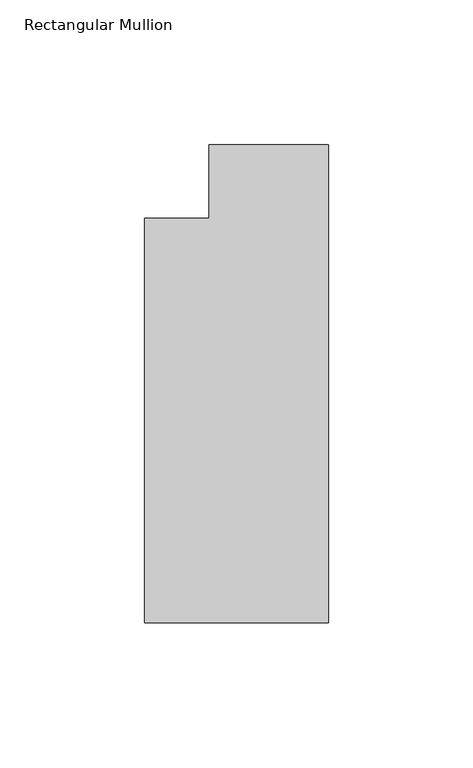
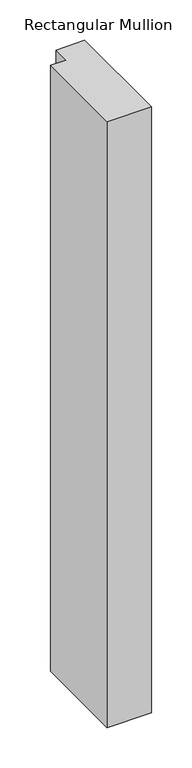
"""IFC4 building model written with IfcOpenShell, lengths in millimetres: member geometry, Rectangular Mullion."""

from ifc_helpers import new_model, si_unit, frame, origin, place, context, project, spatial, polyline, outline, extrude, source, transform, mapped, element, save


def rectangular_mullion_19cd0932(model_context):
    return source(origin(), model_context, "Body", "SweptSolid", [
        extrude(outline(polyline([(-82.7668749, -44.3727865), (-60.5499109, -44.3727865), (-60.5499109, -18.9568419), (-19.2668749, -18.9568419), (-19.2668749, -184.0944397), (-82.7668749, -184.0944397), (-82.7668749, -44.3727865)])), frame((0.0, 0.0, -914.4), z_axis=(0.0, 0.0, 1.0), x_axis=(1.0, 0.0, 0.0)), (0.0, 0.0, 1.0), 914.4),
    ])


if __name__ == "__main__":
    model = new_model("IFC4")
    model_context = context("Model", 3, world=origin())
    ifc_project = project(units=[si_unit("LENGTHUNIT", "METRE", prefix="MILLI")], contexts=[model_context])
    site = spatial("IfcSite", under=ifc_project)
    building = spatial("IfcBuilding", under=site)
    placement = place(None, origin())
    rectangular_mullion_shape = rectangular_mullion_19cd0932(model_context)
    element("IfcMember", 1, ObjectType="Rectangular Mullion", at=placement, inside=building, context=model_context, shape_type="MappedRepresentation", body=[
        mapped(rectangular_mullion_shape, transform((0.0, 0.0, 0.0), x_axis=(1.0, 0.0, 0.0), y_axis=(0.0, 1.0, 0.0), z_axis=(0.0, 0.0, 1.0))),
    ])
    save(model, "model.ifc")
